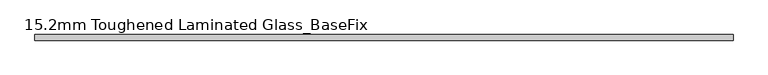
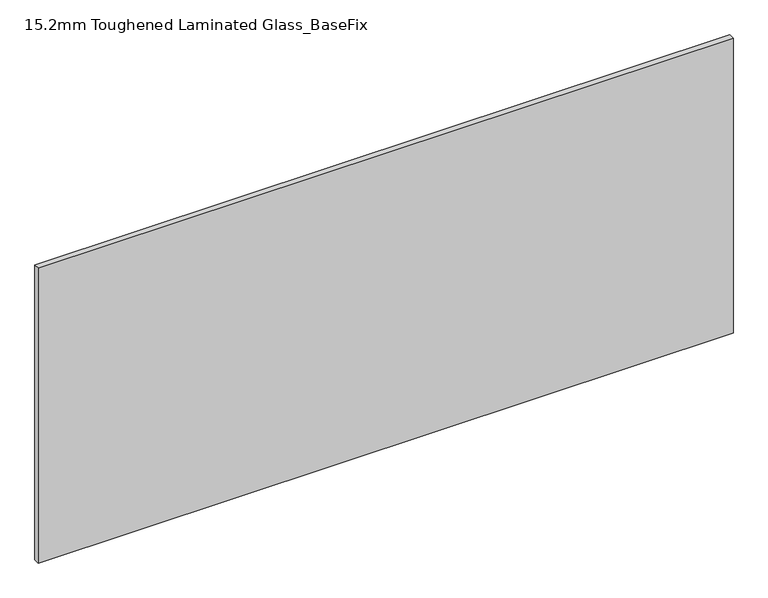
"""IFC4 building model written with IfcOpenShell, lengths in millimetres: plate geometry, 15.2mm Toughened Laminated Glass_BaseFix."""

import ifcopenshell
import ifcopenshell.guid

model = None  # the IFC model being written
_history = None  # IfcOwnerHistory: only IFC2X3 demands one
_inside = {}  # id of a spatial element -> (the spatial element, [elements in it])
_under = {}  # id of a project, library or spatial element -> (it, [spatial elements below it])
_declared = {}  # id of a project -> (the project, [libraries it declares])
_typed = {}  # id of a type object -> (the type object, [elements of that type])
_made_of = {}  # id of a material, layer set ... -> (it, [elements and type objects made of it])


def new_model(schema):
    """Start an empty IFC model of exactly this schema.

    Asked for "IFC4X3", IfcOpenShell would pick the latest addendum, in which some entities
    have other attributes; the version numbers below select the first issue.
    IFC2X3 requires an IfcOwnerHistory on every rooted entity: one is made here for all.
    """
    global model, _history
    if schema == "IFC4X3":
        model = ifcopenshell.file(schema_version=(4, 3, 0, 0))
    else:
        model = ifcopenshell.file(schema=schema)
    _inside.clear()
    _under.clear()
    _declared.clear()
    _typed.clear()
    _made_of.clear()
    _history = None
    if model.schema == "IFC2X3":
        org = make("IfcOrganization", Name="unknown")
        user = make(
            "IfcPersonAndOrganization",
            ThePerson=make("IfcPerson", FamilyName="unknown"),
            TheOrganization=org,
        )
        app = make(
            "IfcApplication",
            ApplicationDeveloper=org,
            Version="unknown",
            ApplicationFullName="unknown",
            ApplicationIdentifier="unknown",
        )
        _history = make(
            "IfcOwnerHistory",
            OwningUser=user,
            OwningApplication=app,
            ChangeAction="ADDED",
            CreationDate=0,
        )
    return model


def make(cls, **values):
    """One entity of the class cls with the attributes given. An attribute that is None is left unset."""
    return model.create_entity(
        cls, **{name: value for name, value in values.items() if value is not None}
    )


def rooted(cls, **values):
    """An entity with a GlobalId (a new one), such as an element, a storey or a relation."""
    return make(cls, GlobalId=ifcopenshell.guid.new(), OwnerHistory=_history, **values)


def si_unit(unit_type, name, prefix=None):
    """IfcSIUnit, for example si_unit("LENGTHUNIT", "METRE", prefix="MILLI")."""
    return make("IfcSIUnit", UnitType=unit_type, Prefix=prefix, Name=name)


def assignment(units):
    """IfcUnitAssignment: the units of a project."""
    return None if units is None else make("IfcUnitAssignment", Units=units)


def point(xyz):
    """IfcCartesianPoint."""
    return None if xyz is None else make("IfcCartesianPoint", Coordinates=xyz)


def direction(xyz):
    """IfcDirection."""
    return None if xyz is None else make("IfcDirection", DirectionRatios=xyz)


def frame(location, z_axis=None, x_axis=None):
    """IfcAxis2Placement3D, a coordinate frame: its origin and axes. An axis left out is left unset."""
    return make(
        "IfcAxis2Placement3D",
        Location=point(location),
        Axis=direction(z_axis),
        RefDirection=direction(x_axis),
    )


def origin():
    """The frame at (0, 0, 0) with its axes left unset."""
    return frame((0.0, 0.0, 0.0))


def origin_with_axes():
    """The frame at (0, 0, 0) with the z axis (0, 0, 1) and the x axis (1, 0, 0) written out."""
    return frame((0.0, 0.0, 0.0), z_axis=(0.0, 0.0, 1.0), x_axis=(1.0, 0.0, 0.0))


def place(relative_to, where):
    """IfcLocalPlacement: puts the frame where relative to a parent placement (None: the world)."""
    return make(
        "IfcLocalPlacement", PlacementRelTo=relative_to, RelativePlacement=where
    )


def context(
    kind, dimensions, precision=None, world=None, true_north=None, identifier=None
):
    """IfcGeometricRepresentationContext, for example the 3D "Model" context."""
    return make(
        "IfcGeometricRepresentationContext",
        ContextIdentifier=identifier,
        ContextType=kind,
        CoordinateSpaceDimension=dimensions,
        Precision=precision,
        WorldCoordinateSystem=world,
        TrueNorth=true_north,
    )


def project(units=None, contexts=None):
    """IfcProject with its units and contexts."""
    return rooted(
        "IfcProject",
        Name="project",
        RepresentationContexts=contexts,
        UnitsInContext=assignment(units),
    )


def spatial(cls, under=None, at=None, **own):
    """A site, building, storey or space (cls), placed at a placement, below another one or the project."""
    s = rooted(cls, ObjectPlacement=at, **own)
    if under is not None:
        _under.setdefault(under.id(), (under, []))[1].append(s)
    return s


def polyline(points):
    """IfcPolyline through the points."""
    return make("IfcPolyline", Points=[point(p) for p in points])


def outline(outer, holes=None, kind="AREA"):
    """IfcArbitraryClosedProfileDef: a profile drawn as a closed curve; with holes, ...WithVoids."""
    if holes is None:
        return make("IfcArbitraryClosedProfileDef", ProfileType=kind, OuterCurve=outer)
    return make(
        "IfcArbitraryProfileDefWithVoids",
        ProfileType=kind,
        OuterCurve=outer,
        InnerCurves=holes,
    )


def extrude(swept, where, along, depth):
    """IfcExtrudedAreaSolid: the profile swept, set in the frame where, extruded along a direction by depth."""
    return make(
        "IfcExtrudedAreaSolid",
        SweptArea=swept,
        Position=where,
        ExtrudedDirection=direction(along),
        Depth=depth,
    )


def shape(context_of_items, identifier, shape_type, items):
    """IfcShapeRepresentation: the items that make up one representation, for example the "Body"."""
    return make(
        "IfcShapeRepresentation",
        ContextOfItems=context_of_items,
        RepresentationIdentifier=identifier,
        RepresentationType=shape_type,
        Items=items,
    )


def source(mapping_origin, context_of_items, identifier, shape_type, items):
    """IfcRepresentationMap: a shape defined once, which mapped items show again and again."""
    return make(
        "IfcRepresentationMap",
        MappingOrigin=mapping_origin,
        MappedRepresentation=shape(context_of_items, identifier, shape_type, items),
    )


def transform(
    local_origin,
    x_axis=None,
    y_axis=None,
    z_axis=None,
    scale=None,
    scale2=None,
    scale3=None,
    uniform=True,
):
    """IfcCartesianTransformationOperator3D, or its non-uniform kind. x_axis, y_axis, z_axis: its Axis1, 2, 3."""
    if uniform:
        return make(
            "IfcCartesianTransformationOperator3D",
            Axis1=direction(x_axis),
            Axis2=direction(y_axis),
            LocalOrigin=point(local_origin),
            Scale=scale,
            Axis3=direction(z_axis),
        )
    return make(
        "IfcCartesianTransformationOperator3DnonUniform",
        Axis1=direction(x_axis),
        Axis2=direction(y_axis),
        LocalOrigin=point(local_origin),
        Scale=scale,
        Axis3=direction(z_axis),
        Scale2=scale2,
        Scale3=scale3,
    )


def mapped(mapping_source, mapping_target):
    """IfcMappedItem: shows the shape of a source again, moved by a transform."""
    return make(
        "IfcMappedItem", MappingSource=mapping_source, MappingTarget=mapping_target
    )


def made_of(thing, what):
    """Note that an element or type object is made of a material, layer set ...; save() writes the relation."""
    if what is not None:
        _made_of.setdefault(what.id(), (what, []))[1].append(thing)
    return thing


def element(
    cls,
    number,
    at=None,
    inside=None,
    cuts=None,
    type_object=None,
    material=None,
    context=None,
    identifier="Body",
    shape_type=None,
    held_by="IfcProductDefinitionShape",
    body=None,
    shapes=None,
    **own,
):
    """One element of the class cls, such as IfcWall. Its Tag is "e" and its number.

    at: its placement. inside: the storey or other place that contains it. cuts: it is an
    opening in that element (IfcRelVoidsElement). A single representation is given by context,
    identifier, shape_type and body (its items); several are given by shapes. held_by: the class
    of the entity that holds the representations. save() writes the other relations.
    """
    e = rooted(cls, Tag="e%d" % number, ObjectPlacement=at, **own)
    if body is not None:
        shapes = [shape(context, identifier, shape_type, body)]
    if shapes is not None:
        e.Representation = make(held_by, Representations=shapes)
    if inside is not None:
        _inside.setdefault(inside.id(), (inside, []))[1].append(e)
    if cuts is not None:
        rooted(
            "IfcRelVoidsElement", RelatingBuildingElement=cuts, RelatedOpeningElement=e
        )
    if type_object is not None:
        _typed.setdefault(type_object.id(), (type_object, []))[1].append(e)
    return made_of(e, material)


def aggregate(whole, parts):
    """IfcRelAggregates: a whole, such as a stair, and the parts it consists of."""
    return rooted("IfcRelAggregates", RelatingObject=whole, RelatedObjects=parts)


def save(model, path):
    """Write the relations noted so far, then the file.

    IfcRelAggregates (storeys below a building ...), IfcRelContainedInSpatialStructure (elements
    in a storey), IfcRelDefinesByType, IfcRelAssociatesMaterial and IfcRelDeclares: one each for
    every whole, place, type object, material and project.
    """
    for whole, parts in _under.values():
        aggregate(whole, parts)
    for where, things in _inside.values():
        rooted(
            "IfcRelContainedInSpatialStructure",
            RelatedElements=things,
            RelatingStructure=where,
        )
    for kind, things in _typed.values():
        rooted("IfcRelDefinesByType", RelatedObjects=things, RelatingType=kind)
    for what, things in _made_of.values():
        rooted("IfcRelAssociatesMaterial", RelatedObjects=things, RelatingMaterial=what)
    for by, libraries in _declared.values():
        rooted("IfcRelDeclares", RelatingContext=by, RelatedDefinitions=libraries)
    model.write(path)


def plate_15_2mm_toughened_laminated_glass_basefix_e69a129b(model_context):
    return source(origin(), model_context, "Body", "SweptSolid", [
        extrude(outline(polyline([(945.0000001, 7.6), (945.0000001, -7.6), (-945.0000001, -7.6), (-945.0000001, 7.6), (945.0000001, 7.6)])), origin_with_axes(), (0.0, 0.0, 1.0), 849.0),
    ])


if __name__ == "__main__":
    model = new_model("IFC4")
    model_context = context("Model", 3, world=origin())
    ifc_project = project(units=[si_unit("LENGTHUNIT", "METRE", prefix="MILLI")], contexts=[model_context])
    site = spatial("IfcSite", under=ifc_project)
    building = spatial("IfcBuilding", under=site)
    placement = place(None, origin())
    plate_15_2mm_toughened_laminated_glass_basefix_shape = plate_15_2mm_toughened_laminated_glass_basefix_e69a129b(model_context)
    element("IfcPlate", 1, ObjectType="15.2mm Toughened Laminated Glass_BaseFix", at=placement, inside=building, context=model_context, shape_type="MappedRepresentation", body=[
        mapped(plate_15_2mm_toughened_laminated_glass_basefix_shape, transform((0.0, 0.0, 0.0), x_axis=(1.0, 0.0, 0.0), y_axis=(0.0, 1.0, 0.0), z_axis=(0.0, 0.0, 1.0))),
    ])
    save(model, "model.ifc")
